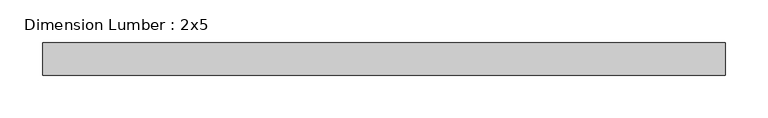
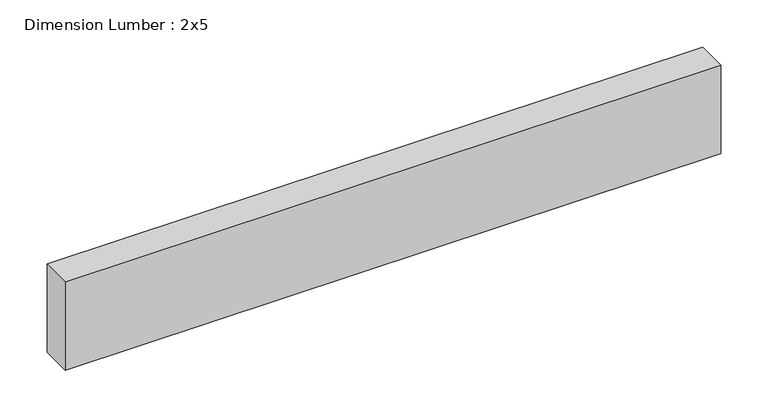
"""IFC4 building model written with IfcOpenShell, lengths in millimetres: beam geometry, Dimension Lumber : 2x5."""

from ifc_helpers import new_model, si_unit, frame, origin, place, context, project, spatial, polyline, outline, extrude, source, transform, mapped, element, save


def dimension_lumber_2x5_dc0ecbba(model_context):
    return source(origin(), model_context, "Body", "SweptSolid", [
        extrude(outline(polyline([(399.8593182, 19.05), (399.8593182, -19.05), (-399.8593182, -19.05), (-399.8593182, 19.05), (399.8593182, 19.05)])), frame((0.0, 0.0, -57.15), z_axis=(0.0, 0.0, 1.0), x_axis=(1.0, 0.0, 0.0)), (0.0, 0.0, 1.0), 114.3),
    ])


if __name__ == "__main__":
    model = new_model("IFC4")
    model_context = context("Model", 3, world=origin())
    ifc_project = project(units=[si_unit("LENGTHUNIT", "METRE", prefix="MILLI")], contexts=[model_context])
    site = spatial("IfcSite", under=ifc_project)
    building = spatial("IfcBuilding", under=site)
    placement = place(None, origin())
    dimension_lumber_2x5_shape = dimension_lumber_2x5_dc0ecbba(model_context)
    element("IfcBeam", 1, ObjectType="Dimension Lumber : 2x5", at=placement, inside=building, context=model_context, shape_type="MappedRepresentation", body=[
        mapped(dimension_lumber_2x5_shape, transform((0.0, 0.0, 0.0), x_axis=(1.0, 0.0, 0.0), y_axis=(0.0, 1.0, 0.0), z_axis=(0.0, 0.0, 1.0))),
    ])
    save(model, "model.ifc")
